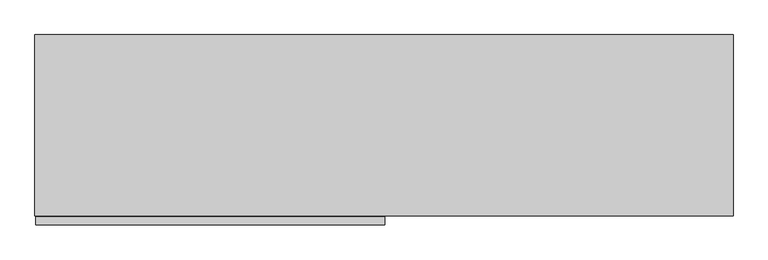
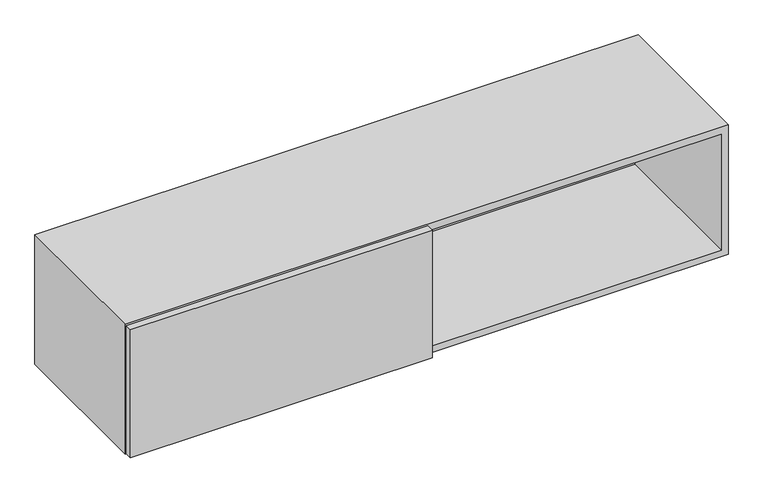
"""IFC4 building model written with IfcOpenShell, lengths in millimetres: furniture geometry."""

from ifc_helpers import new_model, si_unit, frame, origin, place, context, project, spatial, polyline, outline, extrude, faceted_brep, source, transform, mapped, element, save


def furniture_59a56c55(model_context):
    return source(origin(), model_context, "Body", "SolidModel", [
        extrude(outline(polyline([(839.2792365, -437.5150097), (839.2792365, -457.2), (1.5010712, -457.2), (1.5010712, -437.5150097), (839.2792365, -437.5150097)])), frame((0.0, 0.0, 1288.9992008), z_axis=(0.0, 0.0, 1.0), x_axis=(1.0, 0.0, 0.0)), (0.0, 0.0, 1.0), 375.0055984),
        faceted_brep([(827.6084682, -435.0257721, 1306.1696643), (827.6084682, -435.0257721, 1646.8343357), (827.6084682, -20.1675917, 1646.8343357), (827.6084682, -20.1675917, 1306.1696643), (0.0, -435.0257721, 1667.002), (0.0, -435.0257721, 1286.002), (1675.384, -435.0257721, 1286.002), (1675.384, -435.0257721, 1667.002), (20.1673737, -435.0257721, 1306.1696643), (20.1673737, -435.0257721, 1646.8343357), (847.7755318, -435.0257721, 1306.1696643), (847.7755318, -435.0257721, 1646.8343357), (1655.2166263, -435.0257721, 1646.8343357), (1655.2166263, -435.0257721, 1306.1696643), (847.7755318, -20.1675917, 1306.1696643), (847.7755318, -20.1675917, 1646.8343357), (20.1673737, -20.1675917, 1306.1696643), (1655.2166263, -20.1675917, 1306.1696643), (0.0, 0.0, 1286.002), (1675.384, 0.0, 1286.002), (0.0, 0.0, 1667.002), (1675.384, 0.0, 1667.002), (20.1673737, -20.1675917, 1646.8343357), (1655.2166263, -20.1675917, 1646.8343357)], [[[0, 1, 2, 3]], [[4, 5, 6, 7], [1, 0, 8, 9], [10, 11, 12, 13]], [[11, 10, 14, 15]], [[8, 0, 3, 16]], [[10, 13, 17, 14]], [[18, 19, 6, 5]], [[20, 4, 7, 21]], [[4, 20, 18, 5]], [[8, 16, 22, 9]], [[3, 2, 22, 16]], [[15, 14, 17, 23]], [[17, 13, 12, 23]], [[21, 7, 6, 19]], [[20, 21, 19, 18]], [[1, 9, 22, 2]], [[12, 11, 15, 23]]]),
    ])


if __name__ == "__main__":
    model = new_model("IFC4")
    model_context = context("Model", 3, world=origin())
    ifc_project = project(units=[si_unit("LENGTHUNIT", "METRE", prefix="MILLI")], contexts=[model_context])
    site = spatial("IfcSite", under=ifc_project)
    building = spatial("IfcBuilding", under=site)
    placement = place(None, origin())
    furniture_shape = furniture_59a56c55(model_context)
    element("IfcFurniture", 1, at=placement, inside=building, context=model_context, shape_type="MappedRepresentation", body=[
        mapped(furniture_shape, transform((0.0, 0.0, 0.0), x_axis=(1.0, 0.0, 0.0), y_axis=(0.0, 1.0, 0.0), z_axis=(0.0, 0.0, 1.0))),
    ])
    save(model, "model.ifc")
